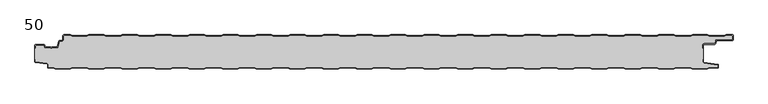
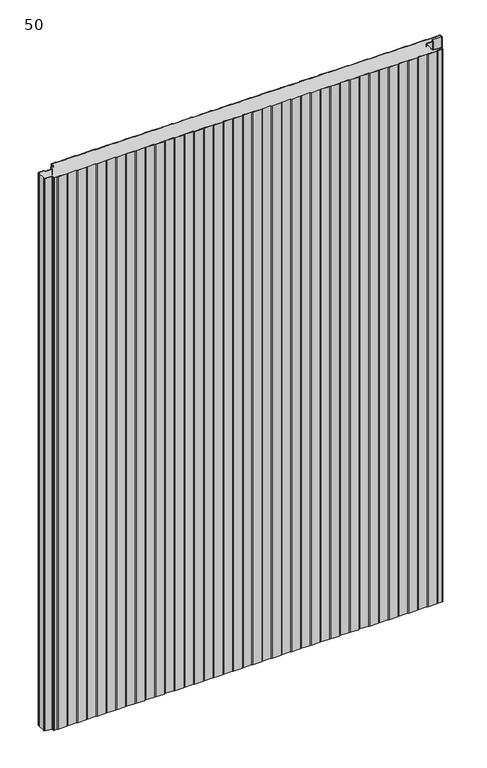
"""IFC4 building model written with IfcOpenShell, lengths in millimetres: plate geometry, 50."""

from ifc_helpers import new_model, si_unit, point, frame_2d, origin, origin_with_axes, place, context, project, spatial, polyline, circle_curve, trimmed, segment, composite_curve, outline, extrude, source, transform, mapped, element, save


def plate_50_125dd487(model_context):
    return source(origin(), model_context, "Body", "SweptSolid", [
        extrude(outline(composite_curve([segment(trimmed(circle_curve(frame_2d((-498.6, -16.2480681)), 1.4), [point((-500.0, -16.2480681))], [point((-498.6, -14.8480681))], False, "CARTESIAN"), True, "CONTINUOUS"), segment(polyline([(-498.6, -14.8480681), (-486.4969094, -14.8480681)]), True, "CONTINUOUS"), segment(trimmed(circle_curve(frame_2d((-486.4969094, -16.2480681)), 1.4), [point((-486.4969094, -14.8480681))], [point((-485.1275334, -15.9568477))], False, "CARTESIAN"), True, "CONTINUOUS"), segment(polyline([(-485.1275334, -15.9568477), (-484.6878192, -18.0244711)]), True, "CONTINUOUS"), segment(trimmed(circle_curve(frame_2d((-484.1011925, -17.8997153)), 0.5997457), [point((-484.6878192, -18.0244711))], [point((-484.1011925, -18.499461))], True, "CARTESIAN"), True, "CONTINUOUS"), segment(polyline([(-484.1011925, -18.499461), (-476.9006569, -18.499461)]), True, "CONTINUOUS"), segment(trimmed(circle_curve(frame_2d((-476.9006569, -19.799946)), 1.300485), [point((-476.9006569, -18.499461))], [point((-475.9808032, -18.8806362))], False, "CARTESIAN"), True, "CONTINUOUS"), segment(trimmed(circle_curve(frame_2d((-475.5877843, -18.5693125)), 0.5013845), [point((-475.9808032, -18.8806362))], [point((-475.2328971, -18.9234896))], True, "CARTESIAN"), True, "CONTINUOUS"), segment(trimmed(circle_curve(frame_2d((-474.2728751, -19.8002001)), 1.3001013), [point((-475.2328971, -18.9234896))], [point((-474.2728751, -18.5000988))], False, "CARTESIAN"), True, "CONTINUOUS"), segment(polyline([(-474.2728751, -18.5000988), (-467.0728572, -18.5000988)]), True, "CONTINUOUS"), segment(trimmed(circle_curve(frame_2d((-467.0728572, -17.9000522)), 0.6000466), [point((-467.0728572, -18.5000988))], [point((-466.4859224, -18.0248059))], True, "CARTESIAN"), True, "CONTINUOUS"), segment(polyline([(-466.4859224, -18.0248059), (-464.8033928, -10.1089305)]), True, "CONTINUOUS"), segment(trimmed(circle_curve(frame_2d((-463.4339847, -10.4)), 1.4), [point((-464.8033928, -10.1089305))], [point((-463.4339847, -9.0))], False, "CARTESIAN"), True, "CONTINUOUS"), segment(polyline([(-463.4339847, -9.0), (-460.4027062, -9.0)]), True, "CONTINUOUS"), segment(trimmed(circle_curve(frame_2d((-460.4027062, -7.1)), 1.9), [point((-460.4027062, -9.0))], [point((-458.5027062, -7.1))], True, "CARTESIAN"), True, "CONTINUOUS"), segment(polyline([(-458.5027062, -7.1), (-458.5027062, -2.0)]), True, "CONTINUOUS"), segment(trimmed(circle_curve(frame_2d((-456.5027062, -2.0)), 2.0), [point((-458.5027062, -2.0))], [point((-456.5027062, 0.0))], False, "CARTESIAN"), True, "CONTINUOUS"), segment(polyline([(-456.5027062, 0.0), (-447.5017452, 0.0), (-444.5017452, -1.0), (-422.5017452, -1.0), (-419.5017452, 0.0), (-397.5017452, 0.0), (-394.5017452, -1.0), (-372.5017452, -1.0), (-369.5017452, 0.0), (-347.5017452, 0.0), (-344.5017452, -1.0), (-322.5017452, -1.0), (-319.5017452, 0.0), (-297.5017452, 0.0), (-294.5017452, -1.0), (-272.5017452, -1.0), (-269.5017452, 0.0), (-247.5017452, 0.0), (-244.5017452, -1.0), (-222.5017452, -1.0), (-219.5017452, 0.0), (-197.5017452, 0.0), (-194.5017452, -1.0), (-172.5017452, -1.0), (-169.5017452, 0.0), (-147.5017452, 0.0), (-144.5017452, -1.0), (-122.5017452, -1.0), (-119.5017452, 0.0), (-97.5017452, 0.0), (-94.5017452, -1.0), (-72.5017452, -1.0), (-69.5017452, 0.0), (-47.5017452, 0.0), (-44.5017452, -1.0), (-22.5017452, -1.0), (-19.5017452, 0.0), (2.4982548, 0.0), (5.4982548, -1.0), (27.4982548, -1.0), (30.4982548, 0.0), (52.4982548, 0.0), (55.4982548, -1.0), (77.4982548, -1.0), (80.4982548, 0.0), (102.4982548, 0.0), (105.4982548, -1.0), (127.4982548, -1.0), (130.4982548, 0.0), (152.4982548, 0.0), (155.4982548, -1.0), (177.4982548, -1.0), (180.4982548, 0.0), (202.4982548, 0.0), (205.4982548, -1.0), (227.4982548, -1.0), (230.4982548, 0.0), (252.4982548, 0.0), (255.4982548, -1.0), (277.4982548, -1.0), (280.4982548, 0.0), (302.4982548, 0.0), (305.4982548, -1.0), (327.4982548, -1.0), (330.4982548, 0.0), (352.4982548, 0.0), (355.4982548, -1.0), (377.4982548, -1.0), (380.4982548, 0.0), (402.4982548, 0.0), (405.4982548, -1.0), (427.4982548, -1.0), (430.4982548, 0.0), (452.4982548, 0.0), (455.4982548, -1.0), (477.4982548, -1.0), (480.4982548, 0.0), (502.4982548, 0.0), (505.4982548, -1.0), (527.4982548, -1.0), (530.4982548, 0.0), (539.4972938, 0.0)]), True, "CONTINUOUS"), segment(trimmed(circle_curve(frame_2d((539.4972938, -2.0)), 2.0), [point((539.4972938, 0.0))], [point((541.0, -0.6801992))], False, "CARTESIAN"), True, "CONTINUOUS"), segment(polyline([(541.0, -0.6801992), (541.0, -8.0014566)]), True, "CONTINUOUS"), segment(trimmed(circle_curve(frame_2d((539.7972938, -6.8)), 1.7), [point((541.0, -8.0014566))], [point((539.7972938, -8.5))], False, "CARTESIAN"), True, "CONTINUOUS"), segment(polyline([(539.7972938, -8.5), (517.0135311, -8.5)]), True, "CONTINUOUS"), segment(trimmed(circle_curve(frame_2d((517.0135311, -9.9)), 1.4), [point((517.0135311, -8.5))], [point((515.6441245, -9.6089236))], True, "CARTESIAN"), True, "CONTINUOUS"), segment(polyline([(515.6441245, -9.6089236), (514.8724972, -13.2391445)]), True, "CONTINUOUS"), segment(trimmed(circle_curve(frame_2d((513.5030906, -12.9480681)), 1.4), [point((514.8724972, -13.2391445))], [point((513.5030906, -14.3480681))], False, "CARTESIAN"), True, "CONTINUOUS"), segment(polyline([(513.5030906, -14.3480681), (497.9, -14.3480681)]), True, "CONTINUOUS"), segment(trimmed(circle_curve(frame_2d((497.9, -15.7480681)), 1.4), [point((497.9, -14.3480681))], [point((496.5, -15.7480681))], True, "CARTESIAN"), True, "CONTINUOUS"), segment(polyline([(496.5, -15.7480681), (496.5, -20.2482392), (495.7, -20.2482392), (495.7, -15.7480681)]), True, "CONTINUOUS"), segment(trimmed(circle_curve(frame_2d((497.9, -15.7480681)), 2.2), [point((495.7, -15.7480681))], [point((497.9, -13.5480681))], False, "CARTESIAN"), True, "CONTINUOUS"), segment(polyline([(497.9, -13.5480681), (513.5030906, -13.5480681)]), True, "CONTINUOUS"), segment(trimmed(circle_curve(frame_2d((513.5030906, -12.9480681)), 0.6), [point((513.5030906, -13.5480681))], [point((514.0899792, -13.0728151))], True, "CARTESIAN"), True, "CONTINUOUS"), segment(polyline([(514.0899792, -13.0728151), (514.8616064, -9.4425943)]), True, "CONTINUOUS"), segment(trimmed(circle_curve(frame_2d((517.0135311, -9.9)), 2.2), [point((514.8616064, -9.4425943))], [point((517.0135311, -7.7))], False, "CARTESIAN"), True, "CONTINUOUS"), segment(polyline([(517.0135311, -7.7), (539.7972938, -7.7)]), True, "CONTINUOUS"), segment(trimmed(circle_curve(frame_2d((539.7972938, -6.8)), 0.9), [point((539.7972938, -7.7))], [point((540.6972938, -6.8))], True, "CARTESIAN"), True, "CONTINUOUS"), segment(polyline([(540.6972938, -6.8), (540.6972938, -2.0)]), True, "CONTINUOUS"), segment(trimmed(circle_curve(frame_2d((539.4972938, -2.0)), 1.2), [point((540.6972938, -2.0))], [point((539.4972938, -0.8))], True, "CARTESIAN"), True, "CONTINUOUS"), segment(polyline([(539.4972938, -0.8), (530.6280769, -0.8), (527.6280769, -1.8), (505.3684327, -1.8), (502.3684327, -0.8), (480.6280769, -0.8), (477.6280769, -1.8), (455.3684327, -1.8), (452.3684327, -0.8), (430.6280769, -0.8), (427.6280769, -1.8), (405.3684327, -1.8), (402.3684327, -0.8), (380.6280769, -0.8), (377.6280769, -1.8), (355.3684327, -1.8), (352.3684327, -0.8), (330.6280769, -0.8), (327.6280769, -1.8), (305.3684327, -1.8), (302.3684327, -0.8), (280.6280769, -0.8), (277.6280769, -1.8), (255.3684327, -1.8), (252.3684327, -0.8), (230.6280769, -0.8), (227.6280769, -1.8), (205.3684327, -1.8), (202.3684327, -0.8), (180.6280769, -0.8), (177.6280769, -1.8), (155.3684327, -1.8), (152.3684327, -0.8), (130.6280769, -0.8), (127.6280769, -1.8), (105.3684327, -1.8), (102.3684327, -0.8), (80.6280769, -0.8), (77.6280769, -1.8), (55.3684327, -1.8), (52.3684327, -0.8), (30.6280769, -0.8), (27.6280769, -1.8), (5.3684327, -1.8), (2.3684327, -0.8), (-19.3719231, -0.8), (-22.3719231, -1.8), (-44.6315673, -1.8), (-47.6315673, -0.8), (-69.3719231, -0.8), (-72.3719231, -1.8), (-94.6315673, -1.8), (-97.6315673, -0.8), (-119.3719231, -0.8), (-122.3719231, -1.8), (-144.6315673, -1.8), (-147.6315673, -0.8), (-169.3719231, -0.8), (-172.3719231, -1.8), (-194.6315673, -1.8), (-197.6315673, -0.8), (-219.3719231, -0.8), (-222.3719231, -1.8), (-244.6315673, -1.8), (-247.6315673, -0.8), (-269.3719231, -0.8), (-272.3719231, -1.8), (-294.6315673, -1.8), (-297.6315673, -0.8), (-319.3719231, -0.8), (-322.3719231, -1.8), (-344.6315673, -1.8), (-347.6315673, -0.8), (-369.3719231, -0.8), (-372.3719231, -1.8), (-394.6315673, -1.8), (-397.6315673, -0.8), (-419.3719231, -0.8), (-422.3719231, -1.8), (-444.6315673, -1.8), (-447.6315673, -0.8), (-456.5027062, -0.8)]), True, "CONTINUOUS"), segment(trimmed(circle_curve(frame_2d((-456.5027062, -2.0)), 1.2), [point((-456.5027062, -0.8))], [point((-457.7027062, -2.0))], True, "CARTESIAN"), True, "CONTINUOUS"), segment(polyline([(-457.7027062, -2.0), (-457.7027062, -7.1)]), True, "CONTINUOUS"), segment(trimmed(circle_curve(frame_2d((-460.4027062, -7.1)), 2.7), [point((-457.7027062, -7.1))], [point((-460.4027062, -9.8))], False, "CARTESIAN"), True, "CONTINUOUS"), segment(polyline([(-460.4027062, -9.8), (-463.4339847, -9.8)]), True, "CONTINUOUS"), segment(trimmed(circle_curve(frame_2d((-463.4339847, -10.4)), 0.6), [point((-463.4339847, -9.8))], [point((-464.0208733, -10.275253))], True, "CARTESIAN"), True, "CONTINUOUS"), segment(polyline([(-464.0208733, -10.275253), (-465.7034335, -18.1910764)]), True, "CONTINUOUS"), segment(trimmed(circle_curve(frame_2d((-467.0728401, -17.9)), 1.4), [point((-465.7034335, -18.1910764))], [point((-467.0728401, -19.3))], False, "CARTESIAN"), True, "CONTINUOUS"), segment(polyline([(-467.0728401, -19.3), (-474.5122154, -19.3)]), True, "CONTINUOUS"), segment(trimmed(circle_curve(frame_2d((-475.5869697, -18.5686292)), 1.3), [point((-474.5122154, -19.3))], [point((-476.6617239, -19.3))], False, "CARTESIAN"), True, "CONTINUOUS"), segment(polyline([(-476.6617239, -19.3), (-484.1010993, -19.3)]), True, "CONTINUOUS"), segment(trimmed(circle_curve(frame_2d((-484.1010993, -17.9)), 1.4), [point((-484.1010993, -19.3))], [point((-485.4705059, -18.1910764))], False, "CARTESIAN"), True, "CONTINUOUS"), segment(polyline([(-485.4705059, -18.1910764), (-485.9100208, -16.1233211)]), True, "CONTINUOUS"), segment(trimmed(circle_curve(frame_2d((-486.4969094, -16.2480681)), 0.6), [point((-485.9100208, -16.1233211))], [point((-486.4969094, -15.6480681))], True, "CARTESIAN"), True, "CONTINUOUS"), segment(polyline([(-486.4969094, -15.6480681), (-498.6, -15.6480681)]), True, "CONTINUOUS"), segment(trimmed(circle_curve(frame_2d((-498.6, -16.2480681)), 0.6), [point((-498.6, -15.6480681))], [point((-499.2, -16.2480681))], True, "CARTESIAN"), True, "CONTINUOUS"), segment(polyline([(-499.2, -16.2480681), (-499.2, -20.2482392), (-500.0, -20.2482392), (-500.0, -16.2480681)]), True, "CONTINUOUS")], self_intersect=False)), origin_with_axes(), (0.0, 0.0, 1.0), 1500.0),
        extrude(outline(composite_curve([segment(polyline([(-500.0, -36.3232445), (-500.0, -20.2482392), (-499.2, -20.2482392), (-499.2, -16.2480681)]), True, "CONTINUOUS"), segment(trimmed(circle_curve(frame_2d((-498.6, -16.2480681)), 0.6), [point((-499.2, -16.2480681))], [point((-498.6, -15.6480681))], False, "CARTESIAN"), True, "CONTINUOUS"), segment(polyline([(-498.6, -15.6480681), (-486.4969094, -15.6480681)]), True, "CONTINUOUS"), segment(trimmed(circle_curve(frame_2d((-486.4969094, -16.2480681)), 0.6), [point((-486.4969094, -15.6480681))], [point((-485.9100208, -16.1233211))], False, "CARTESIAN"), True, "CONTINUOUS"), segment(polyline([(-485.9100208, -16.1233211), (-485.4705059, -18.1910764)]), True, "CONTINUOUS"), segment(trimmed(circle_curve(frame_2d((-484.1010993, -17.9)), 1.4), [point((-485.4705059, -18.1910764))], [point((-484.1010993, -19.3))], True, "CARTESIAN"), True, "CONTINUOUS"), segment(polyline([(-484.1010993, -19.3), (-476.6617239, -19.3)]), True, "CONTINUOUS"), segment(trimmed(circle_curve(frame_2d((-475.5869697, -18.5686292)), 1.3), [point((-476.6617239, -19.3))], [point((-474.5122154, -19.3))], True, "CARTESIAN"), True, "CONTINUOUS"), segment(polyline([(-474.5122154, -19.3), (-467.0728401, -19.3)]), True, "CONTINUOUS"), segment(trimmed(circle_curve(frame_2d((-467.0728401, -17.9)), 1.4), [point((-467.0728401, -19.3))], [point((-465.7034335, -18.1910764))], True, "CARTESIAN"), True, "CONTINUOUS"), segment(polyline([(-465.7034335, -18.1910764), (-464.0208733, -10.275253)]), True, "CONTINUOUS"), segment(trimmed(circle_curve(frame_2d((-463.4339847, -10.4)), 0.6), [point((-464.0208733, -10.275253))], [point((-463.4339847, -9.8))], False, "CARTESIAN"), True, "CONTINUOUS"), segment(polyline([(-463.4339847, -9.8), (-460.4027062, -9.8)]), True, "CONTINUOUS"), segment(trimmed(circle_curve(frame_2d((-460.4027062, -7.1)), 2.7), [point((-460.4027062, -9.8))], [point((-457.7027062, -7.1))], True, "CARTESIAN"), True, "CONTINUOUS"), segment(polyline([(-457.7027062, -7.1), (-457.7027062, -2.0)]), True, "CONTINUOUS"), segment(trimmed(circle_curve(frame_2d((-456.5027062, -2.0)), 1.2), [point((-457.7027062, -2.0))], [point((-456.5027062, -0.8))], False, "CARTESIAN"), True, "CONTINUOUS"), segment(polyline([(-456.5027062, -0.8), (-447.6315673, -0.8), (-444.6315673, -1.8), (-422.3719231, -1.8), (-419.3719231, -0.8), (-397.6315673, -0.8), (-394.6315673, -1.8), (-372.3719231, -1.8), (-369.3719231, -0.8), (-347.6315673, -0.8), (-344.6315673, -1.8), (-322.3719231, -1.8), (-319.3719231, -0.8), (-297.6315673, -0.8), (-294.6315673, -1.8), (-272.3719231, -1.8), (-269.3719231, -0.8), (-247.6315673, -0.8), (-244.6315673, -1.8), (-222.3719231, -1.8), (-219.3719231, -0.8), (-197.6315673, -0.8), (-194.6315673, -1.8), (-172.3719231, -1.8), (-169.3719231, -0.8), (-147.6315673, -0.8), (-144.6315673, -1.8), (-122.3719231, -1.8), (-119.3719231, -0.8), (-97.6315673, -0.8), (-94.6315673, -1.8), (-72.3719231, -1.8), (-69.3719231, -0.8), (-47.6315673, -0.8), (-44.6315673, -1.8), (-22.3719231, -1.8), (-19.3719231, -0.8), (2.3684327, -0.8), (5.3684327, -1.8), (27.6280769, -1.8), (30.6280769, -0.8), (52.3684327, -0.8), (55.3684327, -1.8), (77.6280769, -1.8), (80.6280769, -0.8), (102.3684327, -0.8), (105.3684327, -1.8), (127.6280769, -1.8), (130.6280769, -0.8), (152.3684327, -0.8), (155.3684327, -1.8), (177.6280769, -1.8), (180.6280769, -0.8), (202.3684327, -0.8), (205.3684327, -1.8), (227.6280769, -1.8), (230.6280769, -0.8), (252.3684327, -0.8), (255.3684327, -1.8), (277.6280769, -1.8), (280.6280769, -0.8), (302.3684327, -0.8), (305.3684327, -1.8), (327.6280769, -1.8), (330.6280769, -0.8), (352.3684327, -0.8), (355.3684327, -1.8), (377.6280769, -1.8), (380.6280769, -0.8), (402.3684327, -0.8), (405.3684327, -1.8), (427.6280769, -1.8), (430.6280769, -0.8), (452.3684327, -0.8), (455.3684327, -1.8), (477.6280769, -1.8), (480.6280769, -0.8), (502.3684327, -0.8), (505.3684327, -1.8), (527.6280769, -1.8), (530.6280769, -0.8), (539.4972938, -0.8)]), True, "CONTINUOUS"), segment(trimmed(circle_curve(frame_2d((539.4972938, -2.0)), 1.2), [point((539.4972938, -0.8))], [point((540.6972938, -2.0))], False, "CARTESIAN"), True, "CONTINUOUS"), segment(polyline([(540.6972938, -2.0), (540.6972938, -6.8)]), True, "CONTINUOUS"), segment(trimmed(circle_curve(frame_2d((539.7972938, -6.8)), 0.9), [point((540.6972938, -6.8))], [point((539.7972938, -7.7))], False, "CARTESIAN"), True, "CONTINUOUS"), segment(polyline([(539.7972938, -7.7), (517.0135311, -7.7)]), True, "CONTINUOUS"), segment(trimmed(circle_curve(frame_2d((517.0135311, -9.9)), 2.2), [point((517.0135311, -7.7))], [point((514.8616064, -9.4425943))], True, "CARTESIAN"), True, "CONTINUOUS"), segment(polyline([(514.8616064, -9.4425943), (514.0899792, -13.0728151)]), True, "CONTINUOUS"), segment(trimmed(circle_curve(frame_2d((513.5030906, -12.9480681)), 0.6), [point((514.0899792, -13.0728151))], [point((513.5030906, -13.5480681))], False, "CARTESIAN"), True, "CONTINUOUS"), segment(polyline([(513.5030906, -13.5480681), (497.9, -13.5480681)]), True, "CONTINUOUS"), segment(trimmed(circle_curve(frame_2d((497.9, -15.7480681)), 2.2), [point((497.9, -13.5480681))], [point((495.7, -15.7480681))], True, "CARTESIAN"), True, "CONTINUOUS"), segment(polyline([(495.7, -15.7480681), (495.7, -20.2482392), (496.5, -20.2482392), (496.5, -36.3232445), (495.7, -36.3232445), (495.7, -40.7275325)]), True, "CONTINUOUS"), segment(trimmed(circle_curve(frame_2d((497.2, -40.7275325)), 1.5), [point((495.7, -40.7275325))], [point((496.9911207, -42.2129178))], True, "CARTESIAN"), True, "CONTINUOUS"), segment(polyline([(496.9911207, -42.2129178), (517.69005, -45.1236622)]), True, "CONTINUOUS"), segment(trimmed(circle_curve(frame_2d((517.6075495, -45.7103403)), 0.5924505), [point((517.69005, -45.1236622))], [point((518.2, -45.7103403))], False, "CARTESIAN"), True, "CONTINUOUS"), segment(polyline([(518.2, -45.7103403), (518.2, -48.7)]), True, "CONTINUOUS"), segment(trimmed(circle_curve(frame_2d((517.7, -48.7)), 0.5), [point((518.2, -48.7))], [point((517.7, -49.2))], False, "CARTESIAN"), True, "CONTINUOUS"), segment(polyline([(517.7, -49.2), (505.3684327, -49.2), (502.3684327, -50.2), (480.3684327, -50.2), (477.3684327, -49.2), (455.3684327, -49.2), (452.3684327, -50.2), (430.3684327, -50.2), (427.3684327, -49.2), (405.3684327, -49.2), (402.3684327, -50.2), (380.3684327, -50.2), (377.3684327, -49.2), (355.3684327, -49.2), (352.3684327, -50.2), (330.3684327, -50.2), (327.3684327, -49.2), (305.3684327, -49.2), (302.3684327, -50.2), (280.3684327, -50.2), (277.3684327, -49.2), (255.3684327, -49.2), (252.3684327, -50.2), (230.3684327, -50.2), (227.3684327, -49.2), (205.3684327, -49.2), (202.3684327, -50.2), (180.3684327, -50.2), (177.3684327, -49.2), (155.3684327, -49.2), (152.3684327, -50.2), (130.3684327, -50.2), (127.3684327, -49.2), (105.3684327, -49.2), (102.3684327, -50.2), (80.3684327, -50.2), (77.3684327, -49.2), (55.3684327, -49.2), (52.3684327, -50.2), (30.3684327, -50.2), (27.3684327, -49.2), (5.3684327, -49.2), (2.3684327, -50.2), (-19.6315673, -50.2), (-22.6315673, -49.2), (-44.6315673, -49.2), (-47.6315673, -50.2), (-69.6315673, -50.2), (-72.6315673, -49.2), (-94.6315673, -49.2), (-97.6315673, -50.2), (-119.6315673, -50.2), (-122.6315673, -49.2), (-144.6315673, -49.2), (-147.6315673, -50.2), (-169.6315673, -50.2), (-172.6315673, -49.2), (-194.6315673, -49.2), (-197.6315673, -50.2), (-219.6315673, -50.2), (-222.6315673, -49.2), (-244.6315673, -49.2), (-247.6315673, -50.2), (-269.6315673, -50.2), (-272.6315673, -49.2), (-294.6315673, -49.2), (-297.6315673, -50.2), (-319.6315673, -50.2), (-322.6315673, -49.2), (-344.6315673, -49.2), (-347.6315673, -50.2), (-369.6315673, -50.2), (-372.6315673, -49.2), (-394.6315673, -49.2), (-397.6315673, -50.2), (-419.6315673, -50.2), (-422.6315673, -49.2), (-444.6315673, -49.2), (-447.6315673, -50.2), (-469.6315673, -50.2), (-472.6315673, -49.2), (-479.7, -49.2)]), True, "CONTINUOUS"), segment(trimmed(circle_curve(frame_2d((-479.7, -48.7)), 0.5), [point((-479.7, -49.2))], [point((-480.2, -48.7))], False, "CARTESIAN"), True, "CONTINUOUS"), segment(polyline([(-480.2, -48.7), (-480.2, -44.6035317)]), True, "CONTINUOUS"), segment(trimmed(circle_curve(frame_2d((-481.7, -44.6035317)), 1.5), [point((-480.2, -44.6035317))], [point((-481.4911207, -43.1181464))], True, "CARTESIAN"), True, "CONTINUOUS"), segment(polyline([(-481.4911207, -43.1181464), (-498.6835517, -40.7004962)]), True, "CONTINUOUS"), segment(trimmed(circle_curve(frame_2d((-498.6, -40.1063421)), 0.6), [point((-498.6835517, -40.7004962))], [point((-499.2, -40.1063421))], False, "CARTESIAN"), True, "CONTINUOUS"), segment(polyline([(-499.2, -40.1063421), (-499.2, -36.3232445), (-500.0, -36.3232445)]), True, "CONTINUOUS")], self_intersect=False)), origin_with_axes(), (0.0, 0.0, 1.0), 1500.0),
        extrude(outline(composite_curve([segment(polyline([(-500.0, -36.3232445), (-499.2, -36.3232445), (-499.2, -40.1063421)]), True, "CONTINUOUS"), segment(trimmed(circle_curve(frame_2d((-498.6, -40.1063421)), 0.6), [point((-499.2, -40.1063421))], [point((-498.6835517, -40.7004962))], True, "CARTESIAN"), True, "CONTINUOUS"), segment(polyline([(-498.6835517, -40.7004962), (-481.4911207, -43.1181464)]), True, "CONTINUOUS"), segment(trimmed(circle_curve(frame_2d((-481.7, -44.6035317)), 1.5), [point((-481.4911207, -43.1181464))], [point((-480.2, -44.6035317))], False, "CARTESIAN"), True, "CONTINUOUS"), segment(polyline([(-480.2, -44.6035317), (-480.2, -48.7)]), True, "CONTINUOUS"), segment(trimmed(circle_curve(frame_2d((-479.7, -48.7)), 0.5), [point((-480.2, -48.7))], [point((-479.7, -49.2))], True, "CARTESIAN"), True, "CONTINUOUS"), segment(polyline([(-479.7, -49.2), (-472.6315673, -49.2), (-469.6315673, -50.2), (-447.6315673, -50.2), (-444.6315673, -49.2), (-422.6315673, -49.2), (-419.6315673, -50.2), (-397.6315673, -50.2), (-394.6315673, -49.2), (-372.6315673, -49.2), (-369.6315673, -50.2), (-347.6315673, -50.2), (-344.6315673, -49.2), (-322.6315673, -49.2), (-319.6315673, -50.2), (-297.6315673, -50.2), (-294.6315673, -49.2), (-272.6315673, -49.2), (-269.6315673, -50.2), (-247.6315673, -50.2), (-244.6315673, -49.2), (-222.6315673, -49.2), (-219.6315673, -50.2), (-197.6315673, -50.2), (-194.6315673, -49.2), (-172.6315673, -49.2), (-169.6315673, -50.2), (-147.6315673, -50.2), (-144.6315673, -49.2), (-122.6315673, -49.2), (-119.6315673, -50.2), (-97.6315673, -50.2), (-94.6315673, -49.2), (-72.6315673, -49.2), (-69.6315673, -50.2), (-47.6315673, -50.2), (-44.6315673, -49.2), (-22.6315673, -49.2), (-19.6315673, -50.2), (2.3684327, -50.2), (5.3684327, -49.2), (27.3684327, -49.2), (30.3684327, -50.2), (52.3684327, -50.2), (55.3684327, -49.2), (77.3684327, -49.2), (80.3684327, -50.2), (102.3684327, -50.2), (105.3684327, -49.2), (127.3684327, -49.2), (130.3684327, -50.2), (152.3684327, -50.2), (155.3684327, -49.2), (177.3684327, -49.2), (180.3684327, -50.2), (202.3684327, -50.2), (205.3684327, -49.2), (227.3684327, -49.2), (230.3684327, -50.2), (252.3684327, -50.2), (255.3684327, -49.2), (277.3684327, -49.2), (280.3684327, -50.2), (302.3684327, -50.2), (305.3684327, -49.2), (327.3684327, -49.2), (330.3684327, -50.2), (352.3684327, -50.2), (355.3684327, -49.2), (377.3684327, -49.2), (380.3684327, -50.2), (402.3684327, -50.2), (405.3684327, -49.2), (427.3684327, -49.2), (430.3684327, -50.2), (452.3684327, -50.2), (455.3684327, -49.2), (477.3684327, -49.2), (480.3684327, -50.2), (502.3684327, -50.2), (505.3684327, -49.2), (517.7, -49.2)]), True, "CONTINUOUS"), segment(trimmed(circle_curve(frame_2d((517.7, -48.7)), 0.5), [point((517.7, -49.2))], [point((518.2, -48.7))], True, "CARTESIAN"), True, "CONTINUOUS"), segment(polyline([(518.2, -48.7), (518.2, -45.7103403)]), True, "CONTINUOUS"), segment(trimmed(circle_curve(frame_2d((517.6075495, -45.7103403)), 0.5924505), [point((518.2, -45.7103403))], [point((517.69005, -45.1236622))], True, "CARTESIAN"), True, "CONTINUOUS"), segment(polyline([(517.69005, -45.1236622), (496.9911207, -42.2129178)]), True, "CONTINUOUS"), segment(trimmed(circle_curve(frame_2d((497.2, -40.7275325)), 1.5), [point((496.9911207, -42.2129178))], [point((495.7, -40.7275325))], False, "CARTESIAN"), True, "CONTINUOUS"), segment(polyline([(495.7, -40.7275325), (495.7, -36.3232445), (496.5, -36.3232445), (496.5, -40.7275325)]), True, "CONTINUOUS"), segment(trimmed(circle_curve(frame_2d((497.2, -40.7275325)), 0.7), [point((496.5, -40.7275325))], [point((497.102523, -41.4207123))], True, "CARTESIAN"), True, "CONTINUOUS"), segment(polyline([(497.102523, -41.4207123), (517.8810287, -44.342647)]), True, "CONTINUOUS"), segment(trimmed(circle_curve(frame_2d((517.7, -45.6299809)), 1.3), [point((517.8810287, -44.342647))], [point((519.0, -45.6299809))], False, "CARTESIAN"), True, "CONTINUOUS"), segment(polyline([(519.0, -45.6299809), (519.0, -48.7)]), True, "CONTINUOUS"), segment(trimmed(circle_curve(frame_2d((517.7, -48.7)), 1.3), [point((519.0, -48.7))], [point((517.7, -50.0))], False, "CARTESIAN"), True, "CONTINUOUS"), segment(polyline([(517.7, -50.0), (505.4982548, -50.0), (502.4982548, -51.0), (480.2386105, -51.0), (477.2386105, -50.0), (455.4982548, -50.0), (452.4982548, -51.0), (430.2386105, -51.0), (427.2386105, -50.0), (405.4982548, -50.0), (402.4982548, -51.0), (380.2386105, -51.0), (377.2386105, -50.0), (355.4982548, -50.0), (352.4982548, -51.0), (330.2386105, -51.0), (327.2386105, -50.0), (305.4982548, -50.0), (302.4982548, -51.0), (280.2386105, -51.0), (277.2386105, -50.0), (255.4982548, -50.0), (252.4982548, -51.0), (230.2386105, -51.0), (227.2386105, -50.0), (205.4982548, -50.0), (202.4982548, -51.0), (180.2386105, -51.0), (177.2386105, -50.0), (155.4982548, -50.0), (152.4982548, -51.0), (130.2386105, -51.0), (127.2386105, -50.0), (105.4982548, -50.0), (102.4982548, -51.0), (80.2386105, -51.0), (77.2386105, -50.0), (55.4982548, -50.0), (52.4982548, -51.0), (30.2386105, -51.0), (27.2386105, -50.0), (5.4982548, -50.0), (2.4982548, -51.0), (-19.7613895, -51.0), (-22.7613895, -50.0), (-44.5017452, -50.0), (-47.5017452, -51.0), (-69.7613895, -51.0), (-72.7613895, -50.0), (-94.5017452, -50.0), (-97.5017452, -51.0), (-119.7613895, -51.0), (-122.7613895, -50.0), (-144.5017452, -50.0), (-147.5017452, -51.0), (-169.7613895, -51.0), (-172.7613895, -50.0), (-194.5017452, -50.0), (-197.5017452, -51.0), (-219.7613895, -51.0), (-222.7613895, -50.0), (-244.5017452, -50.0), (-247.5017452, -51.0), (-269.7613895, -51.0), (-272.7613895, -50.0), (-294.5017452, -50.0), (-297.5017452, -51.0), (-319.7613895, -51.0), (-322.7613895, -50.0), (-344.5017452, -50.0), (-347.5017452, -51.0), (-369.7613895, -51.0), (-372.7613895, -50.0), (-394.5017452, -50.0), (-397.5017452, -51.0), (-419.7613895, -51.0), (-422.7613895, -50.0), (-444.5017452, -50.0), (-447.5017452, -51.0), (-469.7613895, -51.0), (-472.7613895, -50.0), (-479.7, -50.0)]), True, "CONTINUOUS"), segment(trimmed(circle_curve(frame_2d((-479.7, -48.7)), 1.3), [point((-479.7, -50.0))], [point((-481.0, -48.7))], False, "CARTESIAN"), True, "CONTINUOUS"), segment(polyline([(-481.0, -48.7), (-481.0, -44.6035317)]), True, "CONTINUOUS"), segment(trimmed(circle_curve(frame_2d((-481.7, -44.6035317)), 0.7), [point((-481.0, -44.6035317))], [point((-481.602523, -43.9103519))], True, "CARTESIAN"), True, "CONTINUOUS"), segment(polyline([(-481.602523, -43.9103519), (-498.8810287, -41.4805976)]), True, "CONTINUOUS"), segment(trimmed(circle_curve(frame_2d((-498.7, -40.1932637)), 1.3), [point((-498.8810287, -41.4805976))], [point((-500.0, -40.1932637))], False, "CARTESIAN"), True, "CONTINUOUS"), segment(polyline([(-500.0, -40.1932637), (-500.0, -36.3232445)]), True, "CONTINUOUS")], self_intersect=False)), origin_with_axes(), (0.0, 0.0, 1.0), 1500.0),
    ])


if __name__ == "__main__":
    model = new_model("IFC4")
    model_context = context("Model", 3, world=origin())
    ifc_project = project(units=[si_unit("LENGTHUNIT", "METRE", prefix="MILLI")], contexts=[model_context])
    site = spatial("IfcSite", under=ifc_project)
    building = spatial("IfcBuilding", under=site)
    placement = place(None, origin())
    plate_50_shape = plate_50_125dd487(model_context)
    element("IfcPlate", 1, ObjectType="50", at=placement, inside=building, context=model_context, shape_type="MappedRepresentation", body=[
        mapped(plate_50_shape, transform((0.0, 0.0, 0.0), x_axis=(1.0, 0.0, 0.0), y_axis=(0.0, 1.0, 0.0), z_axis=(0.0, 0.0, 1.0))),
    ])
    save(model, "model.ifc")
